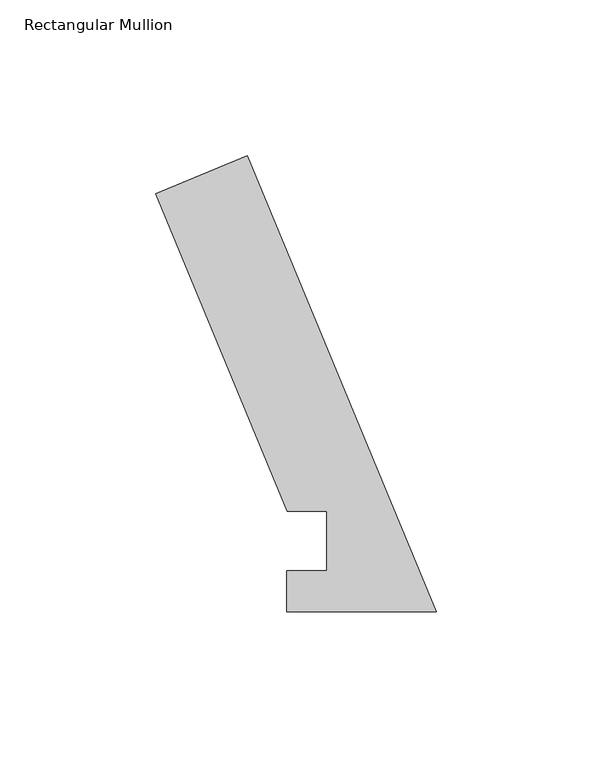
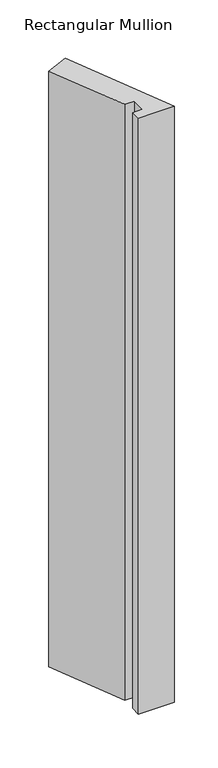
"""IFC4 building model written with IfcOpenShell, lengths in millimetres: member geometry, Rectangular Mullion."""

from ifc_helpers import new_model, si_unit, frame, origin, place, context, project, spatial, polyline, outline, extrude, source, transform, mapped, element, save


def rectangular_mullion_3797556a(model_context):
    return source(origin(), model_context, "Body", "SweptSolid", [
        extrude(outline(polyline([(-60.6043495, 146.334943), (0.0, 0.0231006), (-47.879745, 0.0231006), (-47.879745, 13.1960937), (-35.0131531, 13.1960937), (-35.0131531, 32.2460937), (-47.7131532, 32.2460938), (-89.9375246, 134.1847441), (-60.6043495, 146.334943)])), frame((0.0, 0.0, -838.2), z_axis=(0.0, 0.0, 1.0), x_axis=(1.0, 0.0, 0.0)), (0.0, 0.0, 1.0), 838.2),
    ])


if __name__ == "__main__":
    model = new_model("IFC4")
    model_context = context("Model", 3, world=origin())
    ifc_project = project(units=[si_unit("LENGTHUNIT", "METRE", prefix="MILLI")], contexts=[model_context])
    site = spatial("IfcSite", under=ifc_project)
    building = spatial("IfcBuilding", under=site)
    placement = place(None, origin())
    rectangular_mullion_shape = rectangular_mullion_3797556a(model_context)
    element("IfcMember", 1, ObjectType="Rectangular Mullion", at=placement, inside=building, context=model_context, shape_type="MappedRepresentation", body=[
        mapped(rectangular_mullion_shape, transform((0.0, 0.0, 0.0), x_axis=(1.0, 0.0, 0.0), y_axis=(0.0, 1.0, 0.0), z_axis=(0.0, 0.0, 1.0))),
    ])
    save(model, "model.ifc")
